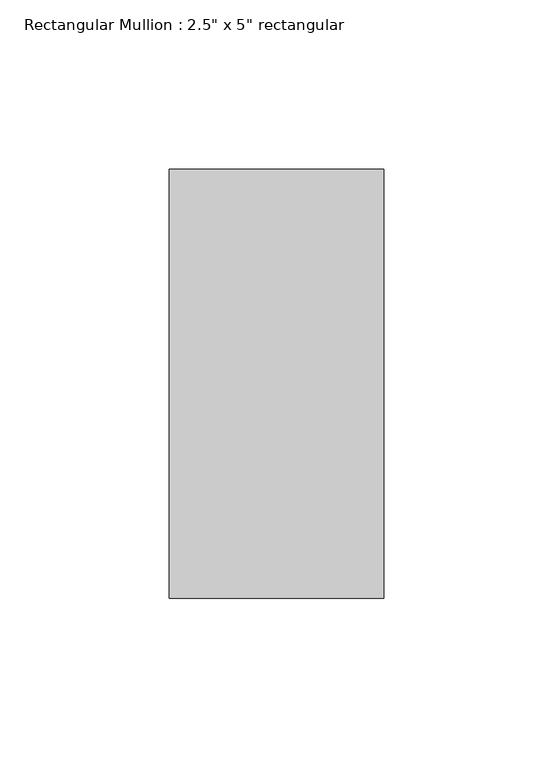
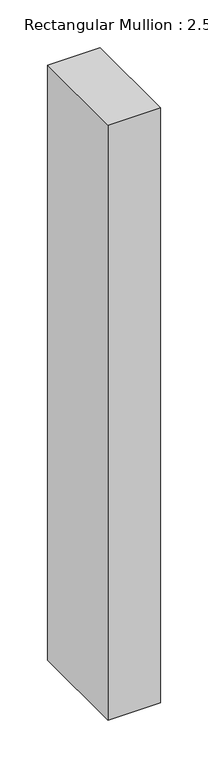
"""IFC4 building model written with IfcOpenShell, lengths in millimetres: member geometry."""

from ifc_helpers import new_model, si_unit, frame, origin, place, context, project, spatial, polyline, outline, extrude, source, transform, mapped, element, save


def member_fd5fc9c8(model_context):
    return source(origin(), model_context, "Body", "SweptSolid", [
        extrude(outline(polyline([(31.75, 63.5), (31.75, -63.5), (-31.75, -63.5), (-31.75, 63.5), (31.75, 63.5)])), frame((0.0, 0.0, -761.6), z_axis=(0.0, 0.0, 1.0), x_axis=(1.0, 0.0, 0.0)), (0.0, 0.0, 1.0), 761.6),
    ])


if __name__ == "__main__":
    model = new_model("IFC4")
    model_context = context("Model", 3, world=origin())
    ifc_project = project(units=[si_unit("LENGTHUNIT", "METRE", prefix="MILLI")], contexts=[model_context])
    site = spatial("IfcSite", under=ifc_project)
    building = spatial("IfcBuilding", under=site)
    placement = place(None, origin())
    member_shape = member_fd5fc9c8(model_context)
    element("IfcMember", 1, ObjectType="Rectangular Mullion : 2.5\" x 5\" rectangular", at=placement, inside=building, context=model_context, shape_type="MappedRepresentation", body=[
        mapped(member_shape, transform((0.0, 0.0, 0.0), x_axis=(1.0, 0.0, 0.0), y_axis=(0.0, 1.0, 0.0), z_axis=(0.0, 0.0, 1.0))),
    ])
    save(model, "model.ifc")
